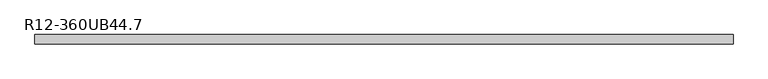
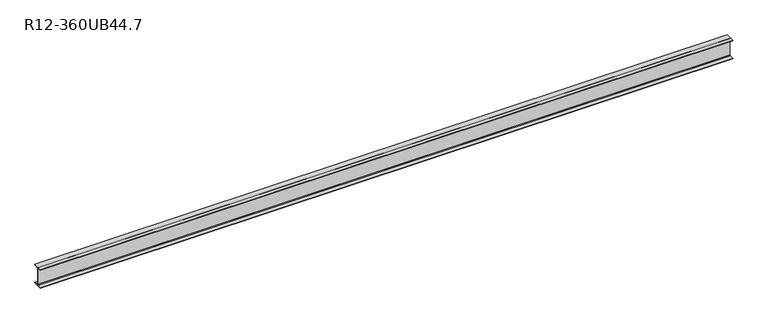
"""IFC4 building model written with IfcOpenShell, lengths in millimetres: beam geometry, R12-360UB44.7."""

from ifc_helpers import new_model, si_unit, point, frame, frame_2d, origin, place, context, project, spatial, polyline, circle_curve, trimmed, segment, composite_curve, outline, extrude, source, transform, mapped, element, save


def r12_360ub44_7_ee7d10c9(model_context):
    return source(origin(), model_context, "Body", "SweptSolid", [
        extrude(outline(composite_curve([segment(polyline([(85.5, -166.3), (85.5, -176.0), (-85.5, -176.0), (-85.5, -166.3), (-14.85, -166.3)]), True, "CONTINUOUS"), segment(trimmed(circle_curve(frame_2d((-14.85, -154.9)), 11.4), [point((-14.85, -166.3))], [point((-3.45, -154.9))], True, "CARTESIAN"), True, "CONTINUOUS"), segment(polyline([(-3.45, -154.9), (-3.45, 154.9)]), True, "CONTINUOUS"), segment(trimmed(circle_curve(frame_2d((-14.85, 154.9)), 11.4), [point((-3.45, 154.9))], [point((-14.85, 166.3))], True, "CARTESIAN"), True, "CONTINUOUS"), segment(polyline([(-14.85, 166.3), (-85.5, 166.3), (-85.5, 176.0), (85.5, 176.0), (85.5, 166.3), (14.85, 166.3)]), True, "CONTINUOUS"), segment(trimmed(circle_curve(frame_2d((14.85, 154.9)), 11.4), [point((14.85, 166.3))], [point((3.45, 154.9))], True, "CARTESIAN"), True, "CONTINUOUS"), segment(polyline([(3.45, 154.9), (3.45, -154.9)]), True, "CONTINUOUS"), segment(trimmed(circle_curve(frame_2d((14.85, -154.9)), 11.4), [point((3.45, -154.9))], [point((14.85, -166.3))], True, "CARTESIAN"), True, "CONTINUOUS"), segment(polyline([(14.85, -166.3), (85.5, -166.3)]), True, "CONTINUOUS")], self_intersect=False)), frame((-6308.0, 0.0, 0.0), z_axis=(1.0, 0.0, 0.0), x_axis=(0.0, 1.0, 0.0)), (0.0, 0.0, 1.0), 12558.0),
    ])


if __name__ == "__main__":
    model = new_model("IFC4")
    model_context = context("Model", 3, world=origin())
    ifc_project = project(units=[si_unit("LENGTHUNIT", "METRE", prefix="MILLI")], contexts=[model_context])
    site = spatial("IfcSite", under=ifc_project)
    building = spatial("IfcBuilding", under=site)
    placement = place(None, origin())
    r12_360ub44_7_shape = r12_360ub44_7_ee7d10c9(model_context)
    element("IfcBeam", 1, ObjectType="R12-360UB44.7", at=placement, inside=building, context=model_context, shape_type="MappedRepresentation", body=[
        mapped(r12_360ub44_7_shape, transform((0.0, 0.0, 0.0), x_axis=(1.0, 0.0, 0.0), y_axis=(0.0, 1.0, 0.0), z_axis=(0.0, 0.0, 1.0))),
    ])
    save(model, "model.ifc")
